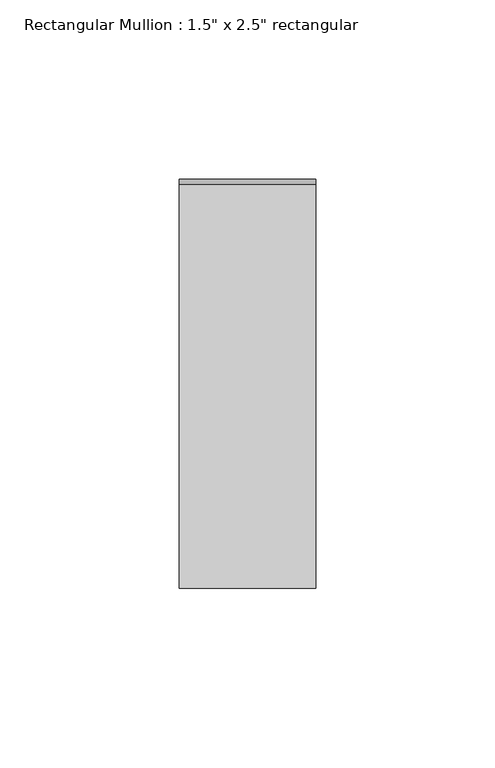
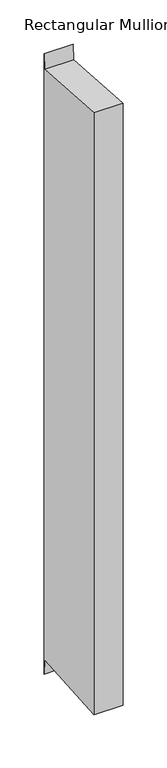
"""IFC4 building model written with IfcOpenShell, lengths in millimetres: member geometry."""

from ifc_helpers import new_model, si_unit, frame, origin, place, context, project, spatial, polyline, outline, extrude, source, transform, mapped, element, save


def member_294608e6(model_context):
    return source(origin(), model_context, "Body", "SweptSolid", [
        extrude(outline(polyline([(-57.15, 4.0833298), (55.6270263, -4.0726933), (57.15, 16.9861539), (57.15, -843.6564595), (55.6270263, -822.5976123), (-57.15, -830.7536354), (-57.15, 4.0833298)])), frame((-38.1, 0.0, 0.0), z_axis=(1.0, 0.0, 0.0), x_axis=(0.0, 1.0, 0.0)), (0.0, 0.0, 1.0), 38.1),
    ])


if __name__ == "__main__":
    model = new_model("IFC4")
    model_context = context("Model", 3, world=origin())
    ifc_project = project(units=[si_unit("LENGTHUNIT", "METRE", prefix="MILLI")], contexts=[model_context])
    site = spatial("IfcSite", under=ifc_project)
    building = spatial("IfcBuilding", under=site)
    placement = place(None, origin())
    member_shape = member_294608e6(model_context)
    element("IfcMember", 1, ObjectType="Rectangular Mullion : 1.5\" x 2.5\" rectangular", at=placement, inside=building, context=model_context, shape_type="MappedRepresentation", body=[
        mapped(member_shape, transform((0.0, 0.0, 0.0), x_axis=(1.0, 0.0, 0.0), y_axis=(0.0, 1.0, 0.0), z_axis=(0.0, 0.0, 1.0))),
    ])
    save(model, "model.ifc")
